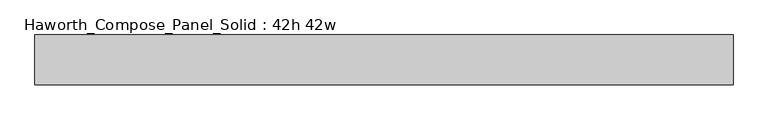
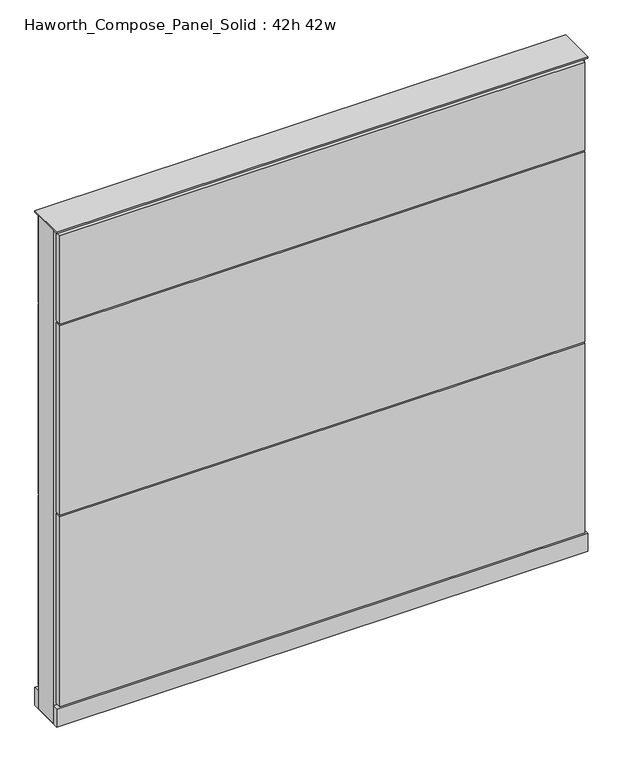
"""IFC4 building model written with IfcOpenShell, lengths in millimetres: furniture geometry, Haworth_Compose_Panel_Solid : 42h 42w."""

from ifc_helpers import new_model, si_unit, point, frame, frame_2d, origin, origin_with_axes, place, context, project, spatial, polyline, circle_curve, trimmed, segment, composite_curve, outline, extrude, source, transform, mapped, element, save


def haworth_compose_panel_solid_42h_42w_baa30526(model_context):
    return source(origin(), model_context, "Body", "SweptSolid", [
        extrude(outline(composite_curve([segment(trimmed(circle_curve(frame_2d((-454.7597098, 0.0)), 12.7), [point((-467.4597098, 0.0))], [point((-442.0597098, 0.0))], False, "CARTESIAN"), True, "CONTINUOUS"), segment(trimmed(circle_curve(frame_2d((-454.7597098, 0.0)), 12.7), [point((-442.0597098, 0.0))], [point((-467.4597098, 0.0))], False, "CARTESIAN"), True, "CONTINUOUS")], self_intersect=False)), origin_with_axes(), (0.0, 0.0, 1.0), 12.7),
        extrude(outline(composite_curve([segment(trimmed(circle_curve(frame_2d((459.6402902, 0.0)), 12.7), [point((446.9402902, 0.0))], [point((472.3402902, 0.0))], False, "CARTESIAN"), True, "CONTINUOUS"), segment(trimmed(circle_curve(frame_2d((459.6402902, 0.0)), 12.7), [point((472.3402902, 0.0))], [point((446.9402902, 0.0))], False, "CARTESIAN"), True, "CONTINUOUS")], self_intersect=False)), origin_with_axes(), (0.0, 0.0, 1.0), 12.7),
        extrude(outline(polyline([(529.4902902, 38.1), (529.4902902, 25.4), (-524.6097098, 25.4), (-524.6097098, 38.1), (529.4902902, 38.1)])), frame((0.0, 0.0, 866.775), z_axis=(0.0, 0.0, 1.0), x_axis=(1.0, 0.0, 0.0)), (0.0, 0.0, 1.0), 187.325),
        extrude(outline(polyline([(529.4902902, 38.1), (529.4902902, 25.4), (-524.6097098, 25.4), (-524.6097098, 38.1), (529.4902902, 38.1)])), frame((0.0, 0.0, 460.375), z_axis=(0.0, 0.0, 1.0), x_axis=(1.0, 0.0, 0.0)), (0.0, 0.0, 1.0), 403.225),
        extrude(outline(polyline([(529.4902902, 38.1), (529.4902902, 25.4), (-524.6097098, 25.4), (-524.6097098, 38.1), (529.4902902, 38.1)])), frame((0.0, 0.0, 53.975), z_axis=(0.0, 0.0, 1.0), x_axis=(1.0, 0.0, 0.0)), (0.0, 0.0, 1.0), 403.225),
        extrude(outline(polyline([(529.4902902, -38.1), (-524.6097098, -38.1), (-524.6097098, -25.4), (529.4902902, -25.4), (529.4902902, -38.1)])), frame((0.0, 0.0, 866.775), z_axis=(0.0, 0.0, 1.0), x_axis=(1.0, 0.0, 0.0)), (0.0, 0.0, 1.0), 187.325),
        extrude(outline(polyline([(529.4902902, -38.1), (-524.6097098, -38.1), (-524.6097098, -25.4), (529.4902902, -25.4), (529.4902902, -38.1)])), frame((0.0, 0.0, 460.375), z_axis=(0.0, 0.0, 1.0), x_axis=(1.0, 0.0, 0.0)), (0.0, 0.0, 1.0), 403.225),
        extrude(outline(polyline([(529.4902902, -38.1), (-524.6097098, -38.1), (-524.6097098, -25.4), (529.4902902, -25.4), (529.4902902, -38.1)])), frame((0.0, 0.0, 53.975), z_axis=(0.0, 0.0, 1.0), x_axis=(1.0, 0.0, 0.0)), (0.0, 0.0, 1.0), 403.225),
        extrude(outline(polyline([(535.8402902, 25.4), (535.8402902, -25.4), (-530.9597098, -25.4), (-530.9597098, 25.4), (535.8402902, 25.4)])), frame((0.0, 0.0, 12.7), z_axis=(0.0, 0.0, 1.0), x_axis=(1.0, 0.0, 0.0)), (0.0, 0.0, 1.0), 1047.75),
        extrude(outline(polyline([(-530.9597098, -38.1), (-530.9597098, 38.1), (535.8402902, 38.1), (535.8402902, -38.1), (-530.9597098, -38.1)])), frame((0.0, 0.0, 12.7), z_axis=(0.0, 0.0, 1.0), x_axis=(1.0, 0.0, 0.0)), (0.0, 0.0, 1.0), 38.1),
        extrude(outline(polyline([(-530.9597098, -38.1), (-530.9597098, 38.1), (535.8402902, 38.1), (535.8402902, -38.1), (-530.9597098, -38.1)])), frame((0.0, 0.0, 1060.45), z_axis=(0.0, 0.0, 1.0), x_axis=(1.0, 0.0, 0.0)), (0.0, 0.0, 1.0), 3.175),
    ])


if __name__ == "__main__":
    model = new_model("IFC4")
    model_context = context("Model", 3, world=origin())
    ifc_project = project(units=[si_unit("LENGTHUNIT", "METRE", prefix="MILLI")], contexts=[model_context])
    site = spatial("IfcSite", under=ifc_project)
    building = spatial("IfcBuilding", under=site)
    placement = place(None, origin())
    haworth_compose_panel_solid_42h_42w_shape = haworth_compose_panel_solid_42h_42w_baa30526(model_context)
    element("IfcFurniture", 1, ObjectType="Haworth_Compose_Panel_Solid : 42h 42w", at=placement, inside=building, context=model_context, shape_type="MappedRepresentation", body=[
        mapped(haworth_compose_panel_solid_42h_42w_shape, transform((0.0, 0.0, 0.0), x_axis=(1.0, 0.0, 0.0), y_axis=(0.0, 1.0, 0.0), z_axis=(0.0, 0.0, 1.0))),
    ])
    save(model, "model.ifc")
